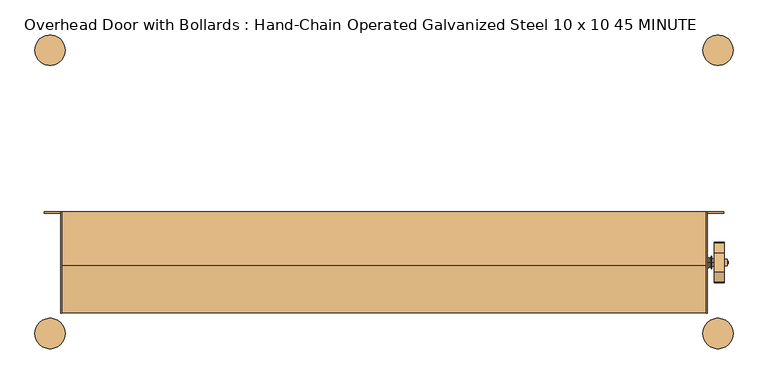
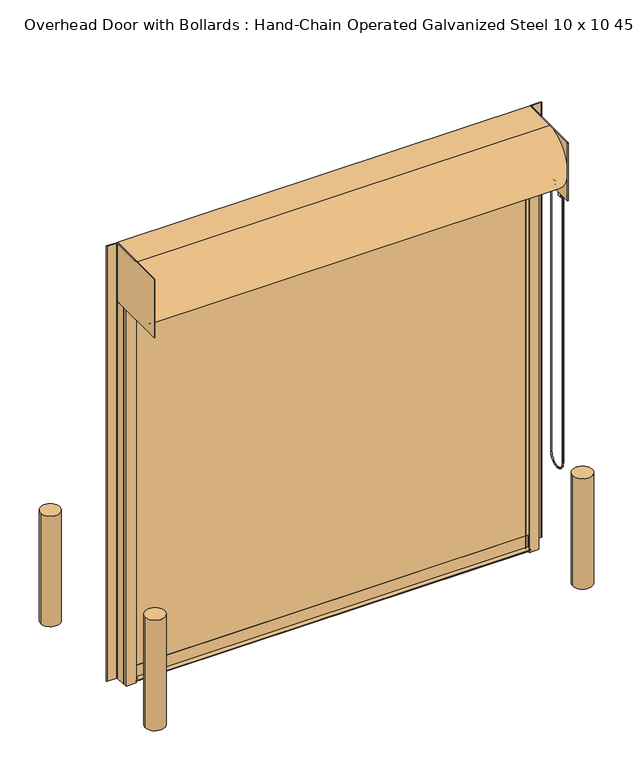
"""IFC4 building model written with IfcOpenShell, lengths in millimetres: door geometry, Overhead Door with Bollards : Hand-Chain Operated Galvanized Steel 10 x 10 45 MINUTE."""

import ifcopenshell
import ifcopenshell.guid

model = None  # the IFC model being written
_history = None  # IfcOwnerHistory: only IFC2X3 demands one
_inside = {}  # id of a spatial element -> (the spatial element, [elements in it])
_under = {}  # id of a project, library or spatial element -> (it, [spatial elements below it])
_declared = {}  # id of a project -> (the project, [libraries it declares])
_typed = {}  # id of a type object -> (the type object, [elements of that type])
_made_of = {}  # id of a material, layer set ... -> (it, [elements and type objects made of it])


def new_model(schema):
    """Start an empty IFC model of exactly this schema.

    Asked for "IFC4X3", IfcOpenShell would pick the latest addendum, in which some entities
    have other attributes; the version numbers below select the first issue.
    IFC2X3 requires an IfcOwnerHistory on every rooted entity: one is made here for all.
    """
    global model, _history
    if schema == "IFC4X3":
        model = ifcopenshell.file(schema_version=(4, 3, 0, 0))
    else:
        model = ifcopenshell.file(schema=schema)
    _inside.clear()
    _under.clear()
    _declared.clear()
    _typed.clear()
    _made_of.clear()
    _history = None
    if model.schema == "IFC2X3":
        org = make("IfcOrganization", Name="unknown")
        user = make(
            "IfcPersonAndOrganization",
            ThePerson=make("IfcPerson", FamilyName="unknown"),
            TheOrganization=org,
        )
        app = make(
            "IfcApplication",
            ApplicationDeveloper=org,
            Version="unknown",
            ApplicationFullName="unknown",
            ApplicationIdentifier="unknown",
        )
        _history = make(
            "IfcOwnerHistory",
            OwningUser=user,
            OwningApplication=app,
            ChangeAction="ADDED",
            CreationDate=0,
        )
    return model


def make(cls, **values):
    """One entity of the class cls with the attributes given. An attribute that is None is left unset."""
    return model.create_entity(
        cls, **{name: value for name, value in values.items() if value is not None}
    )


def rooted(cls, **values):
    """An entity with a GlobalId (a new one), such as an element, a storey or a relation."""
    return make(cls, GlobalId=ifcopenshell.guid.new(), OwnerHistory=_history, **values)


def si_unit(unit_type, name, prefix=None):
    """IfcSIUnit, for example si_unit("LENGTHUNIT", "METRE", prefix="MILLI")."""
    return make("IfcSIUnit", UnitType=unit_type, Prefix=prefix, Name=name)


def assignment(units):
    """IfcUnitAssignment: the units of a project."""
    return None if units is None else make("IfcUnitAssignment", Units=units)


def point(xyz):
    """IfcCartesianPoint."""
    return None if xyz is None else make("IfcCartesianPoint", Coordinates=xyz)


def direction(xyz):
    """IfcDirection."""
    return None if xyz is None else make("IfcDirection", DirectionRatios=xyz)


def frame(location, z_axis=None, x_axis=None):
    """IfcAxis2Placement3D, a coordinate frame: its origin and axes. An axis left out is left unset."""
    return make(
        "IfcAxis2Placement3D",
        Location=point(location),
        Axis=direction(z_axis),
        RefDirection=direction(x_axis),
    )


def frame_2d(location, x_axis=None):
    """IfcAxis2Placement2D, a coordinate frame in the plane: its origin and x axis."""
    return make(
        "IfcAxis2Placement2D", Location=point(location), RefDirection=direction(x_axis)
    )


def origin():
    """The frame at (0, 0, 0) with its axes left unset."""
    return frame((0.0, 0.0, 0.0))


def origin_with_axes():
    """The frame at (0, 0, 0) with the z axis (0, 0, 1) and the x axis (1, 0, 0) written out."""
    return frame((0.0, 0.0, 0.0), z_axis=(0.0, 0.0, 1.0), x_axis=(1.0, 0.0, 0.0))


def place(relative_to, where):
    """IfcLocalPlacement: puts the frame where relative to a parent placement (None: the world)."""
    return make(
        "IfcLocalPlacement", PlacementRelTo=relative_to, RelativePlacement=where
    )


def context(
    kind, dimensions, precision=None, world=None, true_north=None, identifier=None
):
    """IfcGeometricRepresentationContext, for example the 3D "Model" context."""
    return make(
        "IfcGeometricRepresentationContext",
        ContextIdentifier=identifier,
        ContextType=kind,
        CoordinateSpaceDimension=dimensions,
        Precision=precision,
        WorldCoordinateSystem=world,
        TrueNorth=true_north,
    )


def project(units=None, contexts=None):
    """IfcProject with its units and contexts."""
    return rooted(
        "IfcProject",
        Name="project",
        RepresentationContexts=contexts,
        UnitsInContext=assignment(units),
    )


def spatial(cls, under=None, at=None, **own):
    """A site, building, storey or space (cls), placed at a placement, below another one or the project."""
    s = rooted(cls, ObjectPlacement=at, **own)
    if under is not None:
        _under.setdefault(under.id(), (under, []))[1].append(s)
    return s


def polyline(points):
    """IfcPolyline through the points."""
    return make("IfcPolyline", Points=[point(p) for p in points])


def circle_curve(where, radius):
    """IfcCircle in the frame where."""
    return make("IfcCircle", Position=where, Radius=radius)


def ellipse_curve(where, semi_axis1, semi_axis2):
    """IfcEllipse in the frame where."""
    return make(
        "IfcEllipse", Position=where, SemiAxis1=semi_axis1, SemiAxis2=semi_axis2
    )


def trimmed(basis, trim1, trim2, sense, master):
    """IfcTrimmedCurve: the piece of a basis curve between two trims."""
    return make(
        "IfcTrimmedCurve",
        BasisCurve=basis,
        Trim1=trim1,
        Trim2=trim2,
        SenseAgreement=sense,
        MasterRepresentation=master,
    )


def segment(curve, same_sense, transition):
    """IfcCompositeCurveSegment."""
    return make(
        "IfcCompositeCurveSegment",
        Transition=transition,
        SameSense=same_sense,
        ParentCurve=curve,
    )


def composite_curve(segments, self_intersect=None):
    """IfcCompositeCurve: segments joined end to end."""
    return make("IfcCompositeCurve", Segments=segments, SelfIntersect=self_intersect)


def outline(outer, holes=None, kind="AREA"):
    """IfcArbitraryClosedProfileDef: a profile drawn as a closed curve; with holes, ...WithVoids."""
    if holes is None:
        return make("IfcArbitraryClosedProfileDef", ProfileType=kind, OuterCurve=outer)
    return make(
        "IfcArbitraryProfileDefWithVoids",
        ProfileType=kind,
        OuterCurve=outer,
        InnerCurves=holes,
    )


def extrude(swept, where, along, depth):
    """IfcExtrudedAreaSolid: the profile swept, set in the frame where, extruded along a direction by depth."""
    return make(
        "IfcExtrudedAreaSolid",
        SweptArea=swept,
        Position=where,
        ExtrudedDirection=direction(along),
        Depth=depth,
    )


def shape(context_of_items, identifier, shape_type, items):
    """IfcShapeRepresentation: the items that make up one representation, for example the "Body"."""
    return make(
        "IfcShapeRepresentation",
        ContextOfItems=context_of_items,
        RepresentationIdentifier=identifier,
        RepresentationType=shape_type,
        Items=items,
    )


def source(mapping_origin, context_of_items, identifier, shape_type, items):
    """IfcRepresentationMap: a shape defined once, which mapped items show again and again."""
    return make(
        "IfcRepresentationMap",
        MappingOrigin=mapping_origin,
        MappedRepresentation=shape(context_of_items, identifier, shape_type, items),
    )


def transform(
    local_origin,
    x_axis=None,
    y_axis=None,
    z_axis=None,
    scale=None,
    scale2=None,
    scale3=None,
    uniform=True,
):
    """IfcCartesianTransformationOperator3D, or its non-uniform kind. x_axis, y_axis, z_axis: its Axis1, 2, 3."""
    if uniform:
        return make(
            "IfcCartesianTransformationOperator3D",
            Axis1=direction(x_axis),
            Axis2=direction(y_axis),
            LocalOrigin=point(local_origin),
            Scale=scale,
            Axis3=direction(z_axis),
        )
    return make(
        "IfcCartesianTransformationOperator3DnonUniform",
        Axis1=direction(x_axis),
        Axis2=direction(y_axis),
        LocalOrigin=point(local_origin),
        Scale=scale,
        Axis3=direction(z_axis),
        Scale2=scale2,
        Scale3=scale3,
    )


def mapped(mapping_source, mapping_target):
    """IfcMappedItem: shows the shape of a source again, moved by a transform."""
    return make(
        "IfcMappedItem", MappingSource=mapping_source, MappingTarget=mapping_target
    )


def made_of(thing, what):
    """Note that an element or type object is made of a material, layer set ...; save() writes the relation."""
    if what is not None:
        _made_of.setdefault(what.id(), (what, []))[1].append(thing)
    return thing


def element(
    cls,
    number,
    at=None,
    inside=None,
    cuts=None,
    type_object=None,
    material=None,
    context=None,
    identifier="Body",
    shape_type=None,
    held_by="IfcProductDefinitionShape",
    body=None,
    shapes=None,
    **own,
):
    """One element of the class cls, such as IfcWall. Its Tag is "e" and its number.

    at: its placement. inside: the storey or other place that contains it. cuts: it is an
    opening in that element (IfcRelVoidsElement). A single representation is given by context,
    identifier, shape_type and body (its items); several are given by shapes. held_by: the class
    of the entity that holds the representations. save() writes the other relations.
    """
    e = rooted(cls, Tag="e%d" % number, ObjectPlacement=at, **own)
    if body is not None:
        shapes = [shape(context, identifier, shape_type, body)]
    if shapes is not None:
        e.Representation = make(held_by, Representations=shapes)
    if inside is not None:
        _inside.setdefault(inside.id(), (inside, []))[1].append(e)
    if cuts is not None:
        rooted(
            "IfcRelVoidsElement", RelatingBuildingElement=cuts, RelatedOpeningElement=e
        )
    if type_object is not None:
        _typed.setdefault(type_object.id(), (type_object, []))[1].append(e)
    return made_of(e, material)


def aggregate(whole, parts):
    """IfcRelAggregates: a whole, such as a stair, and the parts it consists of."""
    return rooted("IfcRelAggregates", RelatingObject=whole, RelatedObjects=parts)


def save(model, path):
    """Write the relations noted so far, then the file.

    IfcRelAggregates (storeys below a building ...), IfcRelContainedInSpatialStructure (elements
    in a storey), IfcRelDefinesByType, IfcRelAssociatesMaterial and IfcRelDeclares: one each for
    every whole, place, type object, material and project.
    """
    for whole, parts in _under.values():
        aggregate(whole, parts)
    for where, things in _inside.values():
        rooted(
            "IfcRelContainedInSpatialStructure",
            RelatedElements=things,
            RelatingStructure=where,
        )
    for kind, things in _typed.values():
        rooted("IfcRelDefinesByType", RelatedObjects=things, RelatingType=kind)
    for what, things in _made_of.values():
        rooted("IfcRelAssociatesMaterial", RelatedObjects=things, RelatingMaterial=what)
    for by, libraries in _declared.values():
        rooted("IfcRelDeclares", RelatingContext=by, RelatedDefinitions=libraries)
    model.write(path)


def plane_surface(at):
    """IfcPlane: the flat surface through the origin of the frame at, square to its z axis."""
    return make("IfcPlane", Position=at)


def cylinder_surface(at, radius):
    """IfcCylindricalSurface: all points at the distance radius from the z axis of the frame at."""
    return make("IfcCylindricalSurface", Position=at, Radius=radius)


def revolved_surface(curve, axis_point, axis_direction):
    """IfcSurfaceOfRevolution: the curve turned about the line through axis_point along axis_direction."""
    return make(
        "IfcSurfaceOfRevolution",
        SweptCurve=make("IfcArbitraryOpenProfileDef", ProfileType="CURVE", Curve=curve),
        AxisPosition=make("IfcAxis1Placement", Location=point(axis_point), Axis=direction(axis_direction)),
    )


def advanced_brep(points, edges, surfaces, faces):
    """IfcAdvancedBrep: a solid bounded by faces that lie on surfaces and meet in shared edges.

    An edge is (start, end): straight between two places in points (the first is 0);
    or (start, end, curve); or (start, end, curve, False) where it runs against its curve.
    A face is (place in surfaces, loops), or (place, loops, False) where it looks against
    its surface's normal. A loop lists edges by number (the first is 1), with a minus sign
    where the edge is run from its end to its start. The first loop is the outer one.
    """
    corners = [point(p) for p in points]
    vertices = [make("IfcVertexPoint", VertexGeometry=c) for c in corners]
    made = []
    for start, end, *more in edges:
        made.append(
            make(
                "IfcEdgeCurve",
                EdgeStart=vertices[start],
                EdgeEnd=vertices[end],
                EdgeGeometry=more[0] if more else make("IfcPolyline", Points=[corners[start], corners[end]]),
                SameSense=more[1] if len(more) > 1 else True,
            )
        )
    hull = []
    for where, loops, *sense in faces:
        bounds = []
        for j, loop in enumerate(loops):
            ring = [make("IfcOrientedEdge", EdgeElement=made[abs(k) - 1], Orientation=k > 0) for k in loop]
            bounds.append(
                make(
                    "IfcFaceOuterBound" if j == 0 else "IfcFaceBound",
                    Bound=make("IfcEdgeLoop", EdgeList=ring),
                    Orientation=True,
                )
            )
        hull.append(make("IfcAdvancedFace", Bounds=bounds, FaceSurface=surfaces[where], SameSense=sense[0] if sense else True))
    return make("IfcAdvancedBrep", Outer=make("IfcClosedShell", CfsFaces=hull))


def overhead_door_with_bollards_hand_chain_operated_galvanized_ffcfc4d4(model_context):
    return source(origin(), model_context, "Body", "SolidModel", [
        extrude(outline(composite_curve([segment(trimmed(circle_curve(frame_2d((-762.0, -711.2)), 76.2), [point((-838.2, -711.2))], [point((-685.8, -711.2))], False, "CARTESIAN"), True, "CONTINUOUS"), segment(trimmed(circle_curve(frame_2d((-762.0, -711.2)), 76.2), [point((-685.8, -711.2))], [point((-838.2, -711.2))], False, "CARTESIAN"), True, "CONTINUOUS")], self_intersect=False)), origin_with_axes(), (0.0, 0.0, 1.0), 914.4),
        extrude(outline(composite_curve([segment(trimmed(circle_curve(frame_2d((2590.8, -711.2)), 76.2), [point((2514.6, -711.2))], [point((2667.0, -711.2))], False, "CARTESIAN"), True, "CONTINUOUS"), segment(trimmed(circle_curve(frame_2d((2590.8, -711.2)), 76.2), [point((2667.0, -711.2))], [point((2514.6, -711.2))], False, "CARTESIAN"), True, "CONTINUOUS")], self_intersect=False)), origin_with_axes(), (0.0, 0.0, 1.0), 914.4),
        extrude(outline(composite_curve([segment(trimmed(circle_curve(frame_2d((2590.8, 711.2)), 76.2), [point((2667.0, 711.2))], [point((2514.6, 711.2))], False, "CARTESIAN"), True, "CONTINUOUS"), segment(trimmed(circle_curve(frame_2d((2590.8, 711.2)), 76.2), [point((2514.6, 711.2))], [point((2667.0, 711.2))], False, "CARTESIAN"), True, "CONTINUOUS")], self_intersect=False)), origin_with_axes(), (0.0, 0.0, 1.0), 914.4),
        extrude(outline(composite_curve([segment(trimmed(circle_curve(frame_2d((-762.0, 711.2)), 76.2), [point((-838.2, 711.2))], [point((-685.8, 711.2))], False, "CARTESIAN"), True, "CONTINUOUS"), segment(trimmed(circle_curve(frame_2d((-762.0, 711.2)), 76.2), [point((-685.8, 711.2))], [point((-838.2, 711.2))], False, "CARTESIAN"), True, "CONTINUOUS")], self_intersect=False)), origin_with_axes(), (0.0, 0.0, 1.0), 914.4),
        extrude(outline(polyline([(-709.6252, -609.6), (-709.6252, -101.6), (-703.2752, -101.6), (-703.2752, -609.6), (-709.6252, -609.6)])), frame((0.0, 0.0, 3124.2), z_axis=(0.0, 0.0, 1.0), x_axis=(1.0, 0.0, 0.0)), (0.0, 0.0, 1.0), 482.6),
        advanced_brep(
        [(2622.6309604, -405.1483399, 3233.6469387), (2622.6309604, -452.4375, 3110.4544649), (2622.6309604, -452.4375, 3055.6877303), (2622.6309604, -456.5066884, 3045.7069784), (2622.6309604, -454.7997, 3041.65), (2622.6309604, -415.1249, 3041.65), (2622.6309604, -413.4179116, 3045.7069784), (2622.6309604, -417.4871, 3055.6877303), (2622.6309604, -417.4871, 3060.7), (2622.6309604, -404.7871, 3073.4), (2622.6309604, -395.6352267, 3073.4), (2622.6309604, -315.5647733, 3073.4), (2622.6309604, -306.4129, 3073.4), (2622.6309604, -293.9479873, 3058.267727), (2622.6309604, -297.7820884, 3045.7069784), (2622.6309604, -296.0751, 3041.65), (2622.6309604, -256.4003, 3041.65), (2622.6309604, -254.6933116, 3045.7069784), (2622.6309604, -258.7625, 3055.6877303), (2622.6309604, -258.7625, 3108.6891105), (2622.6309604, -259.3951464, 3112.1025652), (2622.6309604, -306.0516601, 3233.6469387), (2622.6309604, -339.725, 3152.775), (2622.6309604, -371.475, 3152.775), (2571.8309604, -405.1483399, 3233.6469387), (2571.8309604, -306.0516601, 3233.6469387), (2571.8309604, -259.3951464, 3112.1025652), (2571.8309604, -258.7625, 3108.6891105), (2571.8309604, -258.7625, 3055.6877303), (2571.8309604, -254.6933116, 3045.7069784), (2571.8309604, -256.4003, 3041.65), (2571.8309604, -296.0751, 3041.65), (2571.8309604, -297.7820884, 3045.7069784), (2571.8309604, -293.9479873, 3058.267727), (2571.8309604, -306.4129, 3073.4), (2571.8309604, -315.5647733, 3073.4), (2571.8309604, -395.6352267, 3073.4), (2571.8309604, -404.7871, 3073.4), (2571.8309604, -417.4871, 3060.7), (2571.8309604, -417.4871, 3055.6877303), (2571.8309604, -413.4179116, 3045.7069784), (2571.8309604, -415.1249, 3041.65), (2571.8309604, -454.7997, 3041.65), (2571.8309604, -456.5066884, 3045.7069784), (2571.8309604, -452.4375, 3055.6877303), (2571.8309604, -452.4375, 3110.4544649), (2571.8309604, -355.6, 3172.3965), (2571.8309604, -355.6, 3134.2965), (2636.9184604, -371.475, 3152.775), (2636.9184604, -339.725, 3152.775), (2636.9184604, -355.6, 3143.8215), (2636.9184604, -355.6, 3162.8715), (2643.1875, -355.6, 3146.9965), (2643.1875, -355.6, 3159.6965), (2640.0125, -355.6, 3162.8715), (2640.0125, -355.6, 3143.8215), (2643.1875, -355.6, 3153.3465), (2538.4125, -355.6, 3127.9465), (2538.4125, -355.6, 3178.7465), (2538.4125, -355.6, 3153.3465), (2544.7625, -355.6, 3127.9465), (2544.7625, -355.6, 3178.7465), (2544.7625, -355.6, 3131.9089), (2544.7625, -355.6, 3174.7841), (2554.8971, -355.6, 3131.9089), (2554.8971, -355.6, 3174.7841), (2554.8971, -355.6, 3128.06715), (2554.8971, -355.6, 3178.62585), (2556.4846, -355.6, 3121.71715), (2556.4846, -355.6, 3184.97585), (2559.05, -355.6, 3121.71715), (2559.05, -355.6, 3184.97585), (2560.6375, -355.6, 3128.06715), (2560.6375, -355.6, 3178.62585), (2560.6375, -355.6, 3134.2965), (2560.6375, -355.6, 3172.3965)],
        [
            (0, 1),
            (1, 2),
            (2, 3, circle_curve(frame((2622.6309604, -466.7123, 3055.6877303), z_axis=(-1.0, 0.0, 0.0), x_axis=(0.0, 1.0, 0.0)), 14.2748)),
            (3, 4, circle_curve(frame((2622.6309604, -454.7997, 3044.0376), z_axis=(1.0, 0.0, 0.0), x_axis=(0.0, 1.0, 0.0)), 2.3876)),
            (4, 5),
            (5, 6, circle_curve(frame((2622.6309604, -415.1249, 3044.0376), z_axis=(1.0, 0.0, 0.0), x_axis=(0.0, 1.0, 0.0)), 2.3876)),
            (6, 7, circle_curve(frame((2622.6309604, -403.2123, 3055.6877303), z_axis=(-1.0, 0.0, 0.0), x_axis=(0.0, 1.0, 0.0)), 14.2748)),
            (7, 8),
            (8, 9, circle_curve(frame((2622.6309604, -404.7871, 3060.7), z_axis=(-1.0, 0.0, 0.0), x_axis=(0.0, 1.0, 0.0)), 12.7)),
            (9, 10),
            (10, 11, circle_curve(frame((2622.6309604, -355.6, 3152.775), z_axis=(1.0, 0.0, 0.0), x_axis=(0.0, 1.0, 0.0)), 88.9)),
            (11, 12),
            (12, 13, circle_curve(frame((2622.6309604, -306.4129, 3060.7), z_axis=(-1.0, 0.0, 0.0), x_axis=(0.0, 1.0, 0.0)), 12.7)),
            (13, 14, circle_curve(frame((2622.6309604, -307.9877, 3055.6877303), z_axis=(-1.0, 0.0, 0.0), x_axis=(0.0, 1.0, 0.0)), 14.2748)),
            (14, 15, circle_curve(frame((2622.6309604, -296.0751, 3044.0376), z_axis=(1.0, 0.0, 0.0), x_axis=(0.0, 1.0, 0.0)), 2.3876)),
            (15, 16),
            (16, 17, circle_curve(frame((2622.6309604, -256.4003, 3044.0376), z_axis=(1.0, 0.0, 0.0), x_axis=(0.0, 1.0, 0.0)), 2.3876)),
            (17, 18, circle_curve(frame((2622.6309604, -244.4877, 3055.6877303), z_axis=(-1.0, 0.0, 0.0), x_axis=(0.0, 1.0, 0.0)), 14.2748)),
            (18, 19),
            (19, 20, circle_curve(frame((2622.6309604, -268.2875, 3108.6891105), z_axis=(1.0, 0.0, 0.0), x_axis=(0.0, 1.0, 0.0)), 9.525)),
            (20, 21),
            (21, 0, circle_curve(frame((2622.6309604, -355.6, 3152.775), z_axis=(1.0, 0.0, 0.0), x_axis=(0.0, 1.0, 0.0)), 94.8436)),
            (22, 23, circle_curve(frame((2622.6309604, -355.6, 3152.775), z_axis=(-1.0, 0.0, 0.0), x_axis=(0.0, 1.0, 0.0)), 15.875)),
            (23, 22, circle_curve(frame((2622.6309604, -355.6, 3152.775), z_axis=(-1.0, 0.0, 0.0), x_axis=(0.0, 1.0, 0.0)), 15.875)),
            (24, 25, circle_curve(frame((2571.8309604, -355.6, 3152.775), z_axis=(-1.0, 0.0, 0.0), x_axis=(0.0, 1.0, 0.0)), 94.8436)),
            (25, 26),
            (26, 27, circle_curve(frame((2571.8309604, -268.2875, 3108.6891105), z_axis=(-1.0, 0.0, 0.0), x_axis=(0.0, 1.0, 0.0)), 9.525)),
            (27, 28),
            (28, 29, circle_curve(frame((2571.8309604, -244.4877, 3055.6877303), z_axis=(1.0, 0.0, 0.0), x_axis=(0.0, 1.0, 0.0)), 14.2748)),
            (29, 30, circle_curve(frame((2571.8309604, -256.4003, 3044.0376), z_axis=(-1.0, 0.0, 0.0), x_axis=(0.0, 1.0, 0.0)), 2.3876)),
            (30, 31),
            (31, 32, circle_curve(frame((2571.8309604, -296.0751, 3044.0376), z_axis=(-1.0, 0.0, 0.0), x_axis=(0.0, 1.0, 0.0)), 2.3876)),
            (32, 33, circle_curve(frame((2571.8309604, -307.9877, 3055.6877303), z_axis=(1.0, 0.0, 0.0), x_axis=(0.0, 1.0, 0.0)), 14.2748)),
            (33, 34, circle_curve(frame((2571.8309604, -306.4129, 3060.7), z_axis=(1.0, 0.0, 0.0), x_axis=(0.0, 1.0, 0.0)), 12.7)),
            (34, 35),
            (35, 36, circle_curve(frame((2571.8309604, -355.6, 3152.775), z_axis=(-1.0, 0.0, 0.0), x_axis=(0.0, 1.0, 0.0)), 88.9)),
            (36, 37),
            (37, 38, circle_curve(frame((2571.8309604, -404.7871, 3060.7), z_axis=(1.0, 0.0, 0.0), x_axis=(0.0, 1.0, 0.0)), 12.7)),
            (38, 39),
            (39, 40, circle_curve(frame((2571.8309604, -403.2123, 3055.6877303), z_axis=(1.0, 0.0, 0.0), x_axis=(0.0, 1.0, 0.0)), 14.2748)),
            (40, 41, circle_curve(frame((2571.8309604, -415.1249, 3044.0376), z_axis=(-1.0, 0.0, 0.0), x_axis=(0.0, 1.0, 0.0)), 2.3876)),
            (41, 42),
            (42, 43, circle_curve(frame((2571.8309604, -454.7997, 3044.0376), z_axis=(-1.0, 0.0, 0.0), x_axis=(0.0, 1.0, 0.0)), 2.3876)),
            (43, 44, circle_curve(frame((2571.8309604, -466.7123, 3055.6877303), z_axis=(1.0, 0.0, 0.0), x_axis=(0.0, 1.0, 0.0)), 14.2748)),
            (44, 45),
            (45, 24),
            (46, 47, circle_curve(frame((2571.8309604, -355.6, 3153.3465), z_axis=(1.0, 0.0, 0.0), x_axis=(0.0, 0.0, 1.0)), 19.05)),
            (47, 46, circle_curve(frame((2571.8309604, -355.6, 3153.3465), z_axis=(1.0, 0.0, 0.0), x_axis=(0.0, 0.0, 1.0)), 19.05)),
            (0, 24),
            (45, 1),
            (44, 2),
            (43, 3),
            (42, 4),
            (41, 5),
            (40, 6),
            (39, 7),
            (38, 8),
            (37, 9),
            (36, 10),
            (35, 11),
            (34, 12),
            (33, 13),
            (32, 14),
            (31, 15),
            (30, 16),
            (29, 17),
            (28, 18),
            (27, 19),
            (26, 20),
            (25, 21),
            (48, 49, circle_curve(frame((2636.9184604, -355.6, 3152.775), z_axis=(1.0, 0.0, 0.0), x_axis=(0.0, 1.0, 0.0)), 15.875)),
            (49, 48, circle_curve(frame((2636.9184604, -355.6, 3152.775), z_axis=(1.0, 0.0, 0.0), x_axis=(0.0, 1.0, 0.0)), 15.875)),
            (50, 51, circle_curve(frame((2636.9184604, -355.6, 3153.3465), z_axis=(-1.0, 0.0, 0.0), x_axis=(0.0, 0.0, 1.0)), 9.525)),
            (51, 50, circle_curve(frame((2636.9184604, -355.6, 3153.3465), z_axis=(-1.0, 0.0, 0.0), x_axis=(0.0, 0.0, 1.0)), 9.525)),
            (48, 23),
            (22, 49),
            (52, 53, circle_curve(frame((2643.1875, -355.6, 3153.3465), z_axis=(-1.0, 0.0, 0.0), x_axis=(0.0, 0.0, 1.0)), 6.35)),
            (53, 54),
            (54, 55, circle_curve(frame((2640.0125, -355.6, 3153.3465), z_axis=(1.0, 0.0, 0.0), x_axis=(0.0, 0.0, 1.0)), 9.525)),
            (55, 52),
            (53, 52, circle_curve(frame((2643.1875, -355.6, 3153.3465), z_axis=(-1.0, 0.0, 0.0), x_axis=(0.0, 0.0, 1.0)), 6.35)),
            (55, 54, circle_curve(frame((2640.0125, -355.6, 3153.3465), z_axis=(1.0, 0.0, 0.0), x_axis=(0.0, 0.0, 1.0)), 9.525)),
            (52, 56),
            (56, 53),
            (54, 51),
            (50, 55),
            (57, 58, circle_curve(frame((2538.4125, -355.6, 3153.3465), z_axis=(-1.0, 0.0, 0.0), x_axis=(0.0, 0.0, 1.0)), 25.4)),
            (58, 59),
            (59, 57),
            (58, 57, circle_curve(frame((2538.4125, -355.6, 3153.3465), z_axis=(-1.0, 0.0, 0.0), x_axis=(0.0, 0.0, 1.0)), 25.4)),
            (57, 60),
            (60, 61, circle_curve(frame((2544.7625, -355.6, 3153.3465), z_axis=(-1.0, 0.0, 0.0), x_axis=(0.0, 0.0, 1.0)), 25.4)),
            (61, 58),
            (61, 60, circle_curve(frame((2544.7625, -355.6, 3153.3465), z_axis=(-1.0, 0.0, 0.0), x_axis=(0.0, 0.0, 1.0)), 25.4)),
            (60, 62),
            (62, 63, circle_curve(frame((2544.7625, -355.6, 3153.3465), z_axis=(-1.0, 0.0, 0.0), x_axis=(0.0, 0.0, 1.0)), 21.4376)),
            (63, 61),
            (63, 62, circle_curve(frame((2544.7625, -355.6, 3153.3465), z_axis=(-1.0, 0.0, 0.0), x_axis=(0.0, 0.0, 1.0)), 21.4376)),
            (62, 64),
            (64, 65, circle_curve(frame((2554.8971, -355.6, 3153.3465), z_axis=(-1.0, 0.0, 0.0), x_axis=(0.0, 0.0, 1.0)), 21.4376)),
            (65, 63),
            (65, 64, circle_curve(frame((2554.8971, -355.6, 3153.3465), z_axis=(-1.0, 0.0, 0.0), x_axis=(0.0, 0.0, 1.0)), 21.4376)),
            (64, 66),
            (66, 67, circle_curve(frame((2554.8971, -355.6, 3153.3465), z_axis=(-1.0, 0.0, 0.0), x_axis=(0.0, 0.0, 1.0)), 25.27935)),
            (67, 65),
            (67, 66, circle_curve(frame((2554.8971, -355.6, 3153.3465), z_axis=(-1.0, 0.0, 0.0), x_axis=(0.0, 0.0, 1.0)), 25.27935)),
            (66, 68),
            (68, 69, circle_curve(frame((2556.4846, -355.6, 3153.3465), z_axis=(-1.0, 0.0, 0.0), x_axis=(0.0, 0.0, 1.0)), 31.62935)),
            (69, 67),
            (69, 68, circle_curve(frame((2556.4846, -355.6, 3153.3465), z_axis=(-1.0, 0.0, 0.0), x_axis=(0.0, 0.0, 1.0)), 31.62935)),
            (68, 70),
            (70, 71, circle_curve(frame((2559.05, -355.6, 3153.3465), z_axis=(-1.0, 0.0, 0.0), x_axis=(0.0, 0.0, 1.0)), 31.62935)),
            (71, 69),
            (71, 70, circle_curve(frame((2559.05, -355.6, 3153.3465), z_axis=(-1.0, 0.0, 0.0), x_axis=(0.0, 0.0, 1.0)), 31.62935)),
            (70, 72),
            (72, 73, circle_curve(frame((2560.6375, -355.6, 3153.3465), z_axis=(-1.0, 0.0, 0.0), x_axis=(0.0, 0.0, 1.0)), 25.27935)),
            (73, 71),
            (73, 72, circle_curve(frame((2560.6375, -355.6, 3153.3465), z_axis=(-1.0, 0.0, 0.0), x_axis=(0.0, 0.0, 1.0)), 25.27935)),
            (72, 74),
            (74, 75, circle_curve(frame((2560.6375, -355.6, 3153.3465), z_axis=(-1.0, 0.0, 0.0), x_axis=(0.0, 0.0, 1.0)), 19.05)),
            (75, 73),
            (75, 74, circle_curve(frame((2560.6375, -355.6, 3153.3465), z_axis=(-1.0, 0.0, 0.0), x_axis=(0.0, 0.0, 1.0)), 19.05)),
            (74, 47),
            (46, 75),
        ],
        [
            plane_surface(frame((2622.6309604, -405.3174554, 3233.2063779), z_axis=(1.0, 0.0, 0.0), x_axis=(0.0, -0.3583679495453003, -0.9335804264972017))),
            plane_surface(frame((2571.8309604, -405.3174554, 3233.2063779), z_axis=(-1.0, 0.0, 0.0), x_axis=(0.0, 0.3583679495453003, 0.9335804264972017))),
            plane_surface(frame((2622.6309604, -405.1483399, 3233.6469387), z_axis=(0.0, -0.9335804264972017, 0.3583679495453003), x_axis=(-1.0, 0.0, 0.0))),
            plane_surface(frame((2622.6309604, -452.4375, 3110.4544649), z_axis=(0.0, -1.0, 0.0), x_axis=(-1.0, 0.0, 0.0))),
            revolved_surface(polyline([(2571.8309604, -452.4375, 3055.6877303), (2622.6309604, -452.4375, 3055.6877303)]), (2571.8309604, -466.7123, 3055.6877303), (-1.0, 0.0, 0.0)),
            cylinder_surface(frame((2571.8309604, -454.7997, 3044.0376), z_axis=(1.0, 0.0, 0.0), x_axis=(0.0, 1.0, 0.0)), 2.3876),
            plane_surface(frame((2622.6309604, -454.7997, 3041.65), z_axis=(0.0, 0.0, -1.0), x_axis=(-1.0, 0.0, 0.0))),
            cylinder_surface(frame((2571.8309604, -415.1249, 3044.0376), z_axis=(1.0, 0.0, 0.0), x_axis=(0.0, 1.0, 0.0)), 2.3876),
            revolved_surface(polyline([(2571.8309604, -388.9375, 3055.6877303), (2622.6309604, -388.9375, 3055.6877303)]), (2571.8309604, -403.2123, 3055.6877303), (-1.0, 0.0, 0.0)),
            plane_surface(frame((2622.6309604, -417.4871, 3055.6877303), z_axis=(0.0, 1.0, 0.0), x_axis=(-1.0, 0.0, 0.0))),
            revolved_surface(polyline([(2571.8309604, -392.0871, 3060.7), (2622.6309604, -392.0871, 3060.7)]), (2571.8309604, -404.7871, 3060.7), (-1.0, 0.0, 0.0)),
            plane_surface(frame((2622.6309604, -404.7871, 3073.4), z_axis=(0.0, 0.0, -1.0), x_axis=(-1.0, 0.0, 0.0))),
            cylinder_surface(frame((2571.8309604, -355.6, 3152.775), z_axis=(1.0, 0.0, 0.0), x_axis=(0.0, 1.0, 0.0)), 88.9),
            plane_surface(frame((2622.6309604, -315.5647733, 3073.4), z_axis=(0.0, 0.0, -1.0), x_axis=(-1.0, 0.0, 0.0))),
            revolved_surface(polyline([(2571.8309604, -293.7129, 3060.7), (2622.6309604, -293.7129, 3060.7)]), (2571.8309604, -306.4129, 3060.7), (-1.0, 0.0, 0.0)),
            revolved_surface(polyline([(2571.8309604, -293.7129, 3055.6877303), (2622.6309604, -293.7129, 3055.6877303)]), (2571.8309604, -307.9877, 3055.6877303), (-1.0, 0.0, 0.0)),
            cylinder_surface(frame((2571.8309604, -296.0751, 3044.0376), z_axis=(1.0, 0.0, 0.0), x_axis=(0.0, 1.0, 0.0)), 2.3876),
            plane_surface(frame((2622.6309604, -296.0751, 3041.65), z_axis=(0.0, 0.0, -1.0), x_axis=(-1.0, 0.0, 0.0))),
            cylinder_surface(frame((2571.8309604, -256.4003, 3044.0376), z_axis=(1.0, 0.0, 0.0), x_axis=(0.0, 1.0, 0.0)), 2.3876),
            revolved_surface(polyline([(2571.8309604, -230.2129, 3055.6877303), (2622.6309604, -230.2129, 3055.6877303)]), (2571.8309604, -244.4877, 3055.6877303), (-1.0, 0.0, 0.0)),
            plane_surface(frame((2622.6309604, -258.7625, 3055.6877303), z_axis=(0.0, 1.0, 0.0), x_axis=(-1.0, 0.0, 0.0))),
            cylinder_surface(frame((2571.8309604, -268.2875, 3108.6891105), z_axis=(1.0, 0.0, 0.0), x_axis=(0.0, 1.0, 0.0)), 9.525),
            plane_surface(frame((2622.6309604, -259.3951464, 3112.1025652), z_axis=(0.0, 0.9335804264972019, 0.35836794954530005), x_axis=(-1.0, 0.0, 0.0))),
            cylinder_surface(frame((2571.8309604, -355.6, 3152.775), z_axis=(1.0, 0.0, 0.0), x_axis=(0.0, 1.0, 0.0)), 94.8436),
            plane_surface(frame((2636.9184604, -339.725, 3152.775), z_axis=(1.0, 0.0, 0.0), x_axis=(0.0, 0.0, 1.0))),
            cylinder_surface(frame((2606.7305604, -355.6, 3152.775), z_axis=(1.0, 0.0, 0.0), x_axis=(0.0, 1.0, 0.0)), 15.875),
            revolved_surface(polyline([(2640.0125, -355.6, 3162.8715), (2643.1875, -355.6, 3159.6965)]), (2571.8309604, -355.6, 3153.3465), (1.0, 0.0, 0.0)),
            plane_surface(frame((2643.1875, -355.6, 3153.3465), z_axis=(1.0, 0.0, 0.0), x_axis=(0.0, 0.0, 1.0))),
            cylinder_surface(frame((2571.8309604, -355.6, 3153.3465), z_axis=(1.0, 0.0, 0.0), x_axis=(0.0, 0.0, 1.0)), 9.525),
            plane_surface(frame((2538.4125, -355.6, 3153.3465), z_axis=(-1.0, 0.0, 0.0), x_axis=(0.0, 0.0, 1.0))),
            cylinder_surface(frame((2571.8309604, -355.6, 3153.3465), z_axis=(1.0, 0.0, 0.0), x_axis=(0.0, 0.0, 1.0)), 25.4),
            plane_surface(frame((2544.7625, -355.6, 3153.3465), z_axis=(1.0, 0.0, 0.0), x_axis=(0.0, 0.0, 1.0))),
            cylinder_surface(frame((2571.8309604, -355.6, 3153.3465), z_axis=(1.0, 0.0, 0.0), x_axis=(0.0, 0.0, 1.0)), 21.4376),
            plane_surface(frame((2554.8971, -355.6, 3153.3465), z_axis=(-1.0, 0.0, 0.0), x_axis=(0.0, 0.0, 1.0))),
            revolved_surface(polyline([(2554.8971, -355.6, 3178.62585), (2556.4846, -355.6, 3184.97585)]), (2571.8309604, -355.6, 3153.3465), (1.0, 0.0, 0.0)),
            cylinder_surface(frame((2571.8309604, -355.6, 3153.3465), z_axis=(1.0, 0.0, 0.0), x_axis=(0.0, 0.0, 1.0)), 31.62935),
            revolved_surface(polyline([(2559.05, -355.6, 3184.97585), (2560.6375, -355.6, 3178.62585)]), (2571.8309604, -355.6, 3153.3465), (1.0, 0.0, 0.0)),
            plane_surface(frame((2560.6375, -355.6, 3153.3465), z_axis=(1.0, 0.0, 0.0), x_axis=(0.0, 0.0, 1.0))),
            cylinder_surface(frame((2571.8309604, -355.6, 3153.3465), z_axis=(1.0, 0.0, 0.0), x_axis=(0.0, 0.0, 1.0)), 19.05),
        ],
        [
            (0, [[1, 2, 3, 4, 5, 6, 7, 8, 9, 10, 11, 12, 13, 14, 15, 16, 17, 18, 19, 20, 21, 22], [23, 24]]),
            (1, [[25, 26, 27, 28, 29, 30, 31, 32, 33, 34, 35, 36, 37, 38, 39, 40, 41, 42, 43, 44, 45, 46], [47, 48]]),
            (2, [[-1, 49, -46, 50]]),
            (3, [[-2, -50, -45, 51]]),
            (4, [[-3, -51, -44, 52]]),
            (5, [[-4, -52, -43, 53]]),
            (6, [[-5, -53, -42, 54]]),
            (7, [[-6, -54, -41, 55]]),
            (8, [[-7, -55, -40, 56]]),
            (9, [[-8, -56, -39, 57]]),
            (10, [[-9, -57, -38, 58]]),
            (11, [[-10, -58, -37, 59]]),
            (12, [[-11, -59, -36, 60]]),
            (13, [[-12, -60, -35, 61]]),
            (14, [[-13, -61, -34, 62]]),
            (15, [[-14, -62, -33, 63]]),
            (16, [[-15, -63, -32, 64]]),
            (17, [[-16, -64, -31, 65]]),
            (18, [[-17, -65, -30, 66]]),
            (19, [[-18, -66, -29, 67]]),
            (20, [[-19, -67, -28, 68]]),
            (21, [[-20, -68, -27, 69]]),
            (22, [[-21, -69, -26, 70]]),
            (23, [[-22, -70, -25, -49]]),
            (24, [[71, 72], [73, 74]]),
            (25, [[-71, 75, -23, 76]]),
            (25, [[-72, -76, -24, -75]]),
            (26, [[77, 78, 79, 80]]),
            (26, [[-78, 81, -80, 82]]),
            (27, [[-77, 83, 84]]),
            (27, [[-81, -84, -83]]),
            (28, [[-79, 85, -73, 86]]),
            (28, [[-82, -86, -74, -85]]),
            (29, [[87, 88, 89]]),
            (29, [[-88, 90, -89]]),
            (30, [[-87, 91, 92, 93]]),
            (30, [[-90, -93, 94, -91]]),
            (31, [[-92, 95, 96, 97]]),
            (31, [[-94, -97, 98, -95]]),
            (32, [[-96, 99, 100, 101]]),
            (32, [[-98, -101, 102, -99]]),
            (33, [[-100, 103, 104, 105]]),
            (33, [[-102, -105, 106, -103]]),
            (34, [[-104, 107, 108, 109]]),
            (34, [[-106, -109, 110, -107]]),
            (35, [[-108, 111, 112, 113]]),
            (35, [[-110, -113, 114, -111]]),
            (36, [[-112, 115, 116, 117]]),
            (36, [[-114, -117, 118, -115]]),
            (37, [[-116, 119, 120, 121]]),
            (37, [[-118, -121, 122, -119]]),
            (38, [[-120, 123, -47, 124]]),
            (38, [[-122, -124, -48, -123]]),
        ],
    ),
        advanced_brep(
        [(2600.9659087, -277.8125, 3124.2), (2593.3340913, -277.8125, 3124.2), (2600.9659087, -277.8125, 825.5), (2593.3340913, -277.8125, 825.5), (2593.3340913, -436.5625, 825.5), (2600.9659087, -436.5625, 825.5), (2600.9659087, -436.5625, 3124.2), (2593.3340913, -436.5625, 3124.2)],
        [
            (0, 1, circle_curve(frame((2597.15, -277.8125, 3124.2), z_axis=(0.0, 0.0, 1.0), x_axis=(-1.0, 0.0, 0.0)), 3.8159087)),
            (1, 0, circle_curve(frame((2597.15, -277.8125, 3124.2), z_axis=(0.0, 0.0, 1.0), x_axis=(-1.0, 0.0, 0.0)), 3.8159087)),
            (0, 2),
            (2, 3, circle_curve(frame((2597.15, -277.8125, 825.5), z_axis=(0.0, 0.0, 1.0), x_axis=(-1.0, 0.0, 0.0)), 3.8159087)),
            (3, 1),
            (3, 2, circle_curve(frame((2597.15, -277.8125, 825.5), z_axis=(0.0, 0.0, 1.0), x_axis=(-1.0, 0.0, 0.0)), 3.8159087)),
            (4, 3, circle_curve(frame((2593.3340913, -357.1875, 825.5), z_axis=(1.0, 0.0, 0.0), x_axis=(0.0, 1.0, 0.0)), 79.375)),
            (2, 5, circle_curve(frame((2600.9659087, -357.1875, 825.5), z_axis=(-1.0, 0.0, 0.0), x_axis=(0.0, 1.0, 0.0)), 79.375)),
            (5, 4, circle_curve(frame((2597.15, -436.5625, 825.5), z_axis=(0.0, 0.0, -1.0), x_axis=(-1.0, 0.0, 0.0)), 3.8159087)),
            (4, 5, circle_curve(frame((2597.15, -436.5625, 825.5), z_axis=(0.0, 0.0, -1.0), x_axis=(-1.0, 0.0, 0.0)), 3.8159087)),
            (6, 7, circle_curve(frame((2597.15, -436.5625, 3124.2), z_axis=(0.0, 0.0, 1.0), x_axis=(-1.0, 0.0, 0.0)), 3.8159087)),
            (7, 6, circle_curve(frame((2597.15, -436.5625, 3124.2), z_axis=(0.0, 0.0, 1.0), x_axis=(-1.0, 0.0, 0.0)), 3.8159087)),
            (5, 6),
            (7, 4),
        ],
        [
            plane_surface(frame((2597.15, -277.8125, 3124.2), z_axis=(0.0, 0.0, 1.0), x_axis=(-1.0, 0.0, 0.0))),
            cylinder_surface(frame((2597.15, -277.8125, 3124.2), z_axis=(0.0, 0.0, 1.0), x_axis=(-1.0, 0.0, 0.0)), 3.8159087),
            revolved_surface(trimmed(ellipse_curve(frame((2597.15, -277.8125, 825.5), z_axis=(0.0, 0.0, 1.0), x_axis=(-1.0, 0.0, 0.0)), 3.8159087, 3.8159087), [point((2600.9659087, -277.8125, 825.5))], [point((2593.3340913, -277.8125, 825.5))], True, "CARTESIAN"), (2597.15, -357.1875, 825.5), (-1.0, 0.0, 0.0)),
            revolved_surface(trimmed(ellipse_curve(frame((2597.15, -277.8125, 825.5), z_axis=(0.0, 0.0, 1.0), x_axis=(-1.0, 0.0, 0.0)), 3.8159087, 3.8159087), [point((2593.3340913, -277.8125, 825.5))], [point((2600.9659087, -277.8125, 825.5))], True, "CARTESIAN"), (2597.15, -357.1875, 825.5), (-1.0, 0.0, 0.0)),
            plane_surface(frame((2597.15, -436.5625, 3124.2), z_axis=(0.0, 0.0, 1.0), x_axis=(-1.0, 0.0, 0.0))),
            cylinder_surface(frame((2597.15, -436.5625, 825.5), z_axis=(0.0, 0.0, -1.0), x_axis=(-1.0, 0.0, 0.0)), 3.8159087),
        ],
        [
            (0, [[1, 2]]),
            (1, [[-1, 3, 4, 5]]),
            (1, [[-2, -5, 6, -3]]),
            (2, [[7, -4, 8, 9]]),
            (3, [[-8, -6, -7, 10]]),
            (4, [[11, 12]]),
            (5, [[-9, 13, -12, 14]]),
            (5, [[-10, -14, -11, -13]]),
        ],
    ),
        extrude(outline(polyline([(2538.4125, -101.6), (2538.4125, -609.6), (2532.0625, -609.6), (2532.0625, -101.6), (2538.4125, -101.6)])), frame((0.0, 0.0, 3124.2), z_axis=(0.0, 0.0, 1.0), x_axis=(1.0, 0.0, 0.0)), (0.0, 0.0, 1.0), 482.6),
        advanced_brep(
        [(2538.4252, -187.325, 3124.2), (2538.4252, -111.125, 3124.2), (2538.4252, -101.6, 3124.2), (2532.0752, -101.6, 3124.2), (2532.0752, -190.5, 3124.2), (2535.2502, -190.5, 3124.2), (2532.0752, -101.6, 0.0), (2620.9752, -101.6, 0.0), (2620.9752, -104.775, 0.0), (2617.8002, -107.95, 0.0), (2541.6002, -107.95, 0.0), (2538.4252, -111.125, 0.0), (2538.4252, -187.325, 0.0), (2535.2502, -190.5, 0.0), (2532.0752, -190.5, 0.0), (2538.4252, -101.6, 3606.8), (2620.9752, -101.6, 3606.8), (2541.6002, -107.95, 3606.8), (2617.8002, -107.95, 3606.8), (2620.9752, -104.775, 3606.8), (2538.4252, -111.125, 3606.8)],
        [
            (0, 1),
            (1, 2),
            (2, 3),
            (3, 4),
            (4, 5),
            (5, 0, circle_curve(frame((2535.2502, -187.325, 3124.2), z_axis=(0.0, 0.0, 1.0), x_axis=(-1.0, 0.0, 0.0)), 3.175)),
            (6, 7),
            (7, 8),
            (8, 9, circle_curve(frame((2617.8002, -104.775, 0.0), z_axis=(0.0, 0.0, -1.0), x_axis=(-1.0, 0.0, 0.0)), 3.175)),
            (9, 10),
            (10, 11, circle_curve(frame((2541.6002, -111.125, 0.0), z_axis=(0.0, 0.0, 1.0), x_axis=(-1.0, 0.0, 0.0)), 3.175)),
            (11, 12),
            (12, 13, circle_curve(frame((2535.2502, -187.325, 0.0), z_axis=(0.0, 0.0, -1.0), x_axis=(-1.0, 0.0, 0.0)), 3.175)),
            (13, 14),
            (14, 6),
            (11, 1),
            (0, 12),
            (5, 13),
            (4, 14),
            (3, 6),
            (2, 15),
            (15, 16),
            (16, 7),
            (17, 18),
            (18, 19, circle_curve(frame((2617.8002, -104.775, 3606.8), z_axis=(0.0, 0.0, 1.0), x_axis=(-1.0, 0.0, 0.0)), 3.175)),
            (19, 16),
            (15, 20),
            (20, 17, circle_curve(frame((2541.6002, -111.125, 3606.8), z_axis=(0.0, 0.0, -1.0), x_axis=(-1.0, 0.0, 0.0)), 3.175)),
            (20, 1),
            (10, 17),
            (19, 8),
            (18, 9),
        ],
        [
            plane_surface(frame((2532.0752, -187.325, 3124.2), z_axis=(0.0, 0.0, 1.0), x_axis=(0.0, 1.0, 0.0))),
            plane_surface(frame((2532.0752, -187.325, 0.0), z_axis=(0.0, 0.0, -1.0), x_axis=(0.0, -1.0, 0.0))),
            plane_surface(frame((2538.4252, -101.6, 3124.2), z_axis=(1.0, 0.0, 0.0), x_axis=(0.0, 0.0, -1.0))),
            cylinder_surface(frame((2535.2502, -187.325, 0.0), z_axis=(0.0, 0.0, 1.0), x_axis=(-1.0, 0.0, 0.0)), 3.175),
            plane_surface(frame((2535.2502, -190.5, 3124.2), z_axis=(0.0, -1.0, 0.0), x_axis=(0.0, 0.0, -1.0))),
            plane_surface(frame((2532.0752, -190.5, 3124.2), z_axis=(-1.0, 0.0, 0.0), x_axis=(0.0, 0.0, -1.0))),
            plane_surface(frame((2532.0752, -101.6, 3124.2), z_axis=(0.0, 1.0, 0.0), x_axis=(0.0, 0.0, -1.0))),
            plane_surface(frame((2538.4252, -111.125, 3606.8), z_axis=(0.0, 0.0, 1.0), x_axis=(0.0, -1.0, 0.0))),
            revolved_surface(polyline([(2538.4251999999997, -111.125, 0.0), (2538.4251999999997, -111.125, 3606.8)]), (2541.6002, -111.125, 0.0), (0.0, 0.0, -1.0)),
            plane_surface(frame((2538.4252, -111.125, 3606.8), z_axis=(-1.0, 0.0, 0.0), x_axis=(0.0, 0.0, -1.0))),
            plane_surface(frame((2620.9752, -101.6, 3606.8), z_axis=(1.0, 0.0, 0.0), x_axis=(0.0, 0.0, -1.0))),
            cylinder_surface(frame((2617.8002, -104.775, 0.0), z_axis=(0.0, 0.0, 1.0), x_axis=(-1.0, 0.0, 0.0)), 3.175),
            plane_surface(frame((2617.8002, -107.95, 3606.8), z_axis=(0.0, -1.0, 0.0), x_axis=(0.0, 0.0, -1.0))),
        ],
        [
            (0, [[1, 2, 3, 4, 5, 6]]),
            (1, [[7, 8, 9, 10, 11, 12, 13, 14, 15]]),
            (2, [[-12, 16, -1, 17]]),
            (3, [[18, -13, -17, -6]]),
            (4, [[19, -14, -18, -5]]),
            (5, [[20, -15, -19, -4]]),
            (6, [[21, 22, 23, -7, -20, -3]]),
            (7, [[24, 25, 26, -22, 27, 28]]),
            (8, [[29, -16, -11, 30, -28]]),
            (9, [[-21, -2, -29, -27]]),
            (10, [[31, -8, -23, -26]]),
            (11, [[32, -9, -31, -25]]),
            (12, [[-30, -10, -32, -24]]),
        ],
    ),
        extrude(outline(composite_curve([segment(trimmed(circle_curve(frame_2d((2524.9314515, -215.1062498)), 2.38125), [point((2524.9314515, -217.4874998))], [point((2527.3127015, -215.1062498))], True, "CARTESIAN"), True, "CONTINUOUS"), segment(polyline([(2527.3127015, -215.1062498), (2527.3127015, -148.4312498)]), True, "CONTINUOUS"), segment(trimmed(circle_curve(frame_2d((2529.6939515, -148.4312498)), 2.38125), [point((2527.3127015, -148.4312498))], [point((2529.6939515, -146.0499998))], False, "CARTESIAN"), True, "CONTINUOUS"), segment(polyline([(2529.6939515, -146.0499998), (2532.0752015, -146.0499998), (2532.0752015, -222.2499998), (2455.8752015, -222.2499998), (2455.8752015, -219.8687498)]), True, "CONTINUOUS"), segment(trimmed(circle_curve(frame_2d((2458.2564515, -219.8687498)), 2.38125), [point((2455.8752015, -219.8687498))], [point((2458.2564515, -217.4874998))], False, "CARTESIAN"), True, "CONTINUOUS"), segment(polyline([(2458.2564515, -217.4874998), (2524.9314515, -217.4874998)]), True, "CONTINUOUS")], self_intersect=False)), origin_with_axes(), (0.0, 0.0, 1.0), 3124.2),
        extrude(outline(composite_curve([segment(polyline([(2451.1127015, -182.5624998), (2451.1127015, -180.1812498)]), True, "CONTINUOUS"), segment(trimmed(circle_curve(frame_2d((2453.4939515, -180.1812498)), 2.38125), [point((2451.1127015, -180.1812498))], [point((2453.4939515, -177.7999998))], False, "CARTESIAN"), True, "CONTINUOUS"), segment(polyline([(2453.4939515, -177.7999998), (2520.1689515, -177.7999998)]), True, "CONTINUOUS"), segment(trimmed(circle_curve(frame_2d((2520.1689515, -175.4187498)), 2.38125), [point((2520.1689515, -177.7999998))], [point((2522.5502015, -175.4187498))], True, "CARTESIAN"), True, "CONTINUOUS"), segment(polyline([(2522.5502015, -175.4187498), (2522.5502015, -134.1437498)]), True, "CONTINUOUS"), segment(trimmed(circle_curve(frame_2d((2524.9314515, -134.1437498)), 2.38125), [point((2522.5502015, -134.1437498))], [point((2524.9314515, -131.7624998))], False, "CARTESIAN"), True, "CONTINUOUS"), segment(polyline([(2524.9314515, -131.7624998), (2527.3127015, -131.7624998), (2527.3127015, -182.5624998), (2451.1127015, -182.5624998)]), True, "CONTINUOUS")], self_intersect=False)), origin_with_axes(), (0.0, 0.0, 1.0), 3124.2),
        advanced_brep(
        [(-709.6252, -187.325, 3124.2), (-706.4502, -190.5, 3124.2), (-703.2752, -190.5, 3124.2), (-703.2752, -101.6, 3124.2), (-709.6252, -101.6, 3124.2), (-709.6252, -111.125, 3124.2), (-703.2752, -101.6, 0.0), (-703.2752, -190.5, 0.0), (-706.4502, -190.5, 0.0), (-709.6252, -187.325, 0.0), (-709.6252, -111.125, 0.0), (-712.8002, -107.95, 0.0), (-789.0002, -107.95, 0.0), (-792.1752, -104.775, 0.0), (-792.1752, -101.6, 0.0), (-792.1752, -101.6, 3606.8), (-709.6252, -101.6, 3606.8), (-712.8002, -107.95, 3606.8), (-709.6252, -111.125, 3606.8), (-792.1752, -104.775, 3606.8), (-789.0002, -107.95, 3606.8)],
        [
            (0, 1, circle_curve(frame((-706.4502, -187.325, 3124.2), z_axis=(0.0, 0.0, 1.0), x_axis=(1.0, 0.0, 0.0)), 3.175)),
            (1, 2),
            (2, 3),
            (3, 4),
            (4, 5),
            (5, 0),
            (6, 7),
            (7, 8),
            (8, 9, circle_curve(frame((-706.4502, -187.325, 0.0), z_axis=(0.0, 0.0, -1.0), x_axis=(1.0, 0.0, 0.0)), 3.175)),
            (9, 10),
            (10, 11, circle_curve(frame((-712.8002, -111.125, 0.0), z_axis=(0.0, 0.0, 1.0), x_axis=(1.0, 0.0, 0.0)), 3.175)),
            (11, 12),
            (12, 13, circle_curve(frame((-789.0002, -104.775, 0.0), z_axis=(0.0, 0.0, -1.0), x_axis=(1.0, 0.0, 0.0)), 3.175)),
            (13, 14),
            (14, 6),
            (0, 9),
            (8, 1),
            (7, 2),
            (6, 3),
            (14, 15),
            (15, 16),
            (16, 4),
            (5, 10),
            (17, 18, circle_curve(frame((-712.8002, -111.125, 3606.8), z_axis=(0.0, 0.0, -1.0), x_axis=(1.0, 0.0, 0.0)), 3.175)),
            (18, 16),
            (15, 19),
            (19, 20, circle_curve(frame((-789.0002, -104.775, 3606.8), z_axis=(0.0, 0.0, 1.0), x_axis=(1.0, 0.0, 0.0)), 3.175)),
            (20, 17),
            (17, 11),
            (5, 18),
            (13, 19),
            (12, 20),
        ],
        [
            plane_surface(frame((-703.2752, -187.325, 3124.2), z_axis=(0.0, 0.0, 1.0), x_axis=(0.0, 1.0, 0.0))),
            plane_surface(frame((-703.2752, -187.325, 0.0), z_axis=(0.0, 0.0, -1.0), x_axis=(0.0, -1.0, 0.0))),
            cylinder_surface(frame((-706.4502, -187.325, 0.0), z_axis=(0.0, 0.0, 1.0), x_axis=(1.0, 0.0, 0.0)), 3.175),
            plane_surface(frame((-706.4502, -190.5, 3124.2), z_axis=(0.0, -1.0, 0.0), x_axis=(0.0, 0.0, -1.0))),
            plane_surface(frame((-703.2752, -190.5, 3124.2), z_axis=(1.0, 0.0, 0.0), x_axis=(0.0, 0.0, -1.0))),
            plane_surface(frame((-703.2752, -101.6, 3124.2), z_axis=(0.0, 1.0, 0.0), x_axis=(0.0, 0.0, -1.0))),
            plane_surface(frame((-709.6252, -101.6, 3124.2), z_axis=(-1.0, 0.0, 0.0), x_axis=(0.0, 0.0, -1.0))),
            plane_surface(frame((-709.6252, -111.125, 3606.8), z_axis=(0.0, 0.0, 1.0), x_axis=(0.0, -1.0, 0.0))),
            revolved_surface(polyline([(-709.6252000000001, -111.125, 0.0), (-709.6252000000001, -111.125, 3606.8)]), (-712.8002, -111.125, 0.0), (0.0, 0.0, -1.0)),
            plane_surface(frame((-709.6252, -111.125, 3606.8), z_axis=(1.0, 0.0, 0.0), x_axis=(0.0, 0.0, -1.0))),
            plane_surface(frame((-792.1752, -101.6, 3606.8), z_axis=(-1.0, 0.0, 0.0), x_axis=(0.0, 0.0, -1.0))),
            cylinder_surface(frame((-789.0002, -104.775, 0.0), z_axis=(0.0, 0.0, 1.0), x_axis=(1.0, 0.0, 0.0)), 3.175),
            plane_surface(frame((-789.0002, -107.95, 3606.8), z_axis=(0.0, -1.0, 0.0), x_axis=(0.0, 0.0, -1.0))),
        ],
        [
            (0, [[1, 2, 3, 4, 5, 6]]),
            (1, [[7, 8, 9, 10, 11, 12, 13, 14, 15]]),
            (2, [[-1, 16, -9, 17]]),
            (3, [[-2, -17, -8, 18]]),
            (4, [[-3, -18, -7, 19]]),
            (5, [[-4, -19, -15, 20, 21, 22]]),
            (6, [[-16, -6, 23, -10]]),
            (7, [[24, 25, -21, 26, 27, 28]]),
            (8, [[-24, 29, -11, -23, 30]]),
            (9, [[-25, -30, -5, -22]]),
            (10, [[-26, -20, -14, 31]]),
            (11, [[-27, -31, -13, 32]]),
            (12, [[-28, -32, -12, -29]]),
        ],
    ),
        extrude(outline(composite_curve([segment(polyline([(-696.1314515, -217.4874998), (-629.4564515, -217.4874998)]), True, "CONTINUOUS"), segment(trimmed(circle_curve(frame_2d((-629.4564515, -219.8687498)), 2.38125), [point((-629.4564515, -217.4874998))], [point((-627.0752015, -219.8687498))], False, "CARTESIAN"), True, "CONTINUOUS"), segment(polyline([(-627.0752015, -219.8687498), (-627.0752015, -222.2499998), (-703.2752015, -222.2499998), (-703.2752015, -146.0499998), (-700.8939515, -146.0499998)]), True, "CONTINUOUS"), segment(trimmed(circle_curve(frame_2d((-700.8939515, -148.4312498)), 2.38125), [point((-700.8939515, -146.0499998))], [point((-698.5127015, -148.4312498))], False, "CARTESIAN"), True, "CONTINUOUS"), segment(polyline([(-698.5127015, -148.4312498), (-698.5127015, -215.1062498)]), True, "CONTINUOUS"), segment(trimmed(circle_curve(frame_2d((-696.1314515, -215.1062498)), 2.38125), [point((-698.5127015, -215.1062498))], [point((-696.1314515, -217.4874998))], True, "CARTESIAN"), True, "CONTINUOUS")], self_intersect=False)), origin_with_axes(), (0.0, 0.0, 1.0), 3124.2),
        extrude(outline(composite_curve([segment(polyline([(-622.3127015, -182.5624998), (-698.5127015, -182.5624998), (-698.5127015, -131.7624998), (-696.1314515, -131.7624998)]), True, "CONTINUOUS"), segment(trimmed(circle_curve(frame_2d((-696.1314515, -134.1437498)), 2.38125), [point((-696.1314515, -131.7624998))], [point((-693.7502015, -134.1437498))], False, "CARTESIAN"), True, "CONTINUOUS"), segment(polyline([(-693.7502015, -134.1437498), (-693.7502015, -175.4187498)]), True, "CONTINUOUS"), segment(trimmed(circle_curve(frame_2d((-691.3689515, -175.4187498)), 2.38125), [point((-693.7502015, -175.4187498))], [point((-691.3689515, -177.7999998))], True, "CARTESIAN"), True, "CONTINUOUS"), segment(polyline([(-691.3689515, -177.7999998), (-624.6939515, -177.7999998)]), True, "CONTINUOUS"), segment(trimmed(circle_curve(frame_2d((-624.6939515, -180.1812498)), 2.38125), [point((-624.6939515, -177.7999998))], [point((-622.3127015, -180.1812498))], False, "CARTESIAN"), True, "CONTINUOUS"), segment(polyline([(-622.3127015, -180.1812498), (-622.3127015, -182.5624998)]), True, "CONTINUOUS")], self_intersect=False)), origin_with_axes(), (0.0, 0.0, 1.0), 3124.2),
        extrude(outline(composite_curve([segment(polyline([(-189.537181, 140.5929688), (-189.537181, 46.7690062), (-151.7685055, 40.7007965)]), True, "CONTINUOUS"), segment(trimmed(circle_curve(frame_2d((-151.957882, 39.5221129)), 1.1938), [point((-151.7685055, 40.7007965))], [point((-150.9006976, 38.9675684))], False, "CARTESIAN"), True, "CONTINUOUS"), segment(polyline([(-150.9006976, 38.9675684), (-155.8717964, 38.9675684), (-190.0578813, 44.4601712), (-190.0578813, 11.4847687)]), True, "CONTINUOUS"), segment(trimmed(circle_curve(frame_2d((-201.5640813, 11.4847687)), 11.5062), [point((-190.0578813, 11.4847687))], [point((-191.5441554, 5.8284692))], False, "CARTESIAN"), True, "CONTINUOUS"), segment(trimmed(circle_curve(frame_2d((-201.5640813, 11.4847687)), 11.5062), [point((-191.5441554, 5.8284692))], [point((-197.2725729, 0.8088335))], False, "CARTESIAN"), True, "CONTINUOUS"), segment(trimmed(circle_curve(frame_2d((-201.5640813, 11.4847687)), 11.5062), [point((-197.2725729, 0.8088335))], [point((-206.0896028, 0.9059081))], False, "CARTESIAN"), True, "CONTINUOUS"), segment(trimmed(circle_curve(frame_2d((-201.5640813, 11.4847687)), 11.5062), [point((-206.0896028, 0.9059081))], [point((-211.3278267, 5.3969191))], False, "CARTESIAN"), True, "CONTINUOUS"), segment(trimmed(circle_curve(frame_2d((-201.5640813, 11.4847687)), 11.5062), [point((-211.3278267, 5.3969191))], [point((-213.0702813, 11.4847687))], False, "CARTESIAN"), True, "CONTINUOUS"), segment(polyline([(-213.0702813, 11.4847687), (-213.0702813, 41.3551688), (-248.833481, 41.3551688)]), True, "CONTINUOUS"), segment(trimmed(circle_curve(frame_2d((-248.833481, 40.5677688)), 0.7874), [point((-248.833481, 41.3551688))], [point((-249.620881, 40.5677688))], True, "CARTESIAN"), True, "CONTINUOUS"), segment(polyline([(-249.620881, 40.5677688), (-249.620881, 39.7549688)]), True, "CONTINUOUS"), segment(trimmed(circle_curve(frame_2d((-250.408281, 39.7549688)), 0.7874), [point((-249.620881, 39.7549688))], [point((-250.408281, 38.9675688))], False, "CARTESIAN"), True, "CONTINUOUS"), segment(polyline([(-250.408281, 38.9675688), (-251.970381, 38.9675688)]), True, "CONTINUOUS"), segment(trimmed(circle_curve(frame_2d((-251.970381, 40.1613688)), 1.1938), [point((-251.970381, 38.9675688))], [point((-253.164181, 40.1613688))], False, "CARTESIAN"), True, "CONTINUOUS"), segment(polyline([(-253.164181, 40.1613688), (-253.164181, 42.5489688)]), True, "CONTINUOUS"), segment(trimmed(circle_curve(frame_2d((-251.970381, 42.5489688)), 1.1938), [point((-253.164181, 42.5489688))], [point((-251.970381, 43.7427688))], False, "CARTESIAN"), True, "CONTINUOUS"), segment(polyline([(-251.970381, 43.7427688), (-213.489381, 43.7427688), (-213.489381, 140.5929688), (-189.537181, 140.5929688)]), True, "CONTINUOUS")], self_intersect=False)), frame((-622.3, 0.0, 0.0), z_axis=(1.0, 0.0, 0.0), x_axis=(0.0, 1.0, 0.0)), (0.0, 0.0, 1.0), 3073.4),
        extrude(outline(composite_curve([segment(polyline([(-101.6, 3606.8), (-101.6, 3124.2), (-368.3, 3124.2)]), True, "CONTINUOUS"), segment(trimmed(circle_curve(frame_2d((-368.3, 3365.5)), 241.3), [point((-368.3, 3124.2))], [point((-368.3, 3606.8))], False, "CARTESIAN"), True, "CONTINUOUS"), segment(polyline([(-368.3, 3606.8), (-101.6, 3606.8)]), True, "CONTINUOUS")], self_intersect=False)), frame((-703.2752, 0.0, 0.0), z_axis=(1.0, 0.0, 0.0), x_axis=(0.0, 1.0, 0.0)), (0.0, 0.0, 1.0), 3235.3377),
        extrude(outline(polyline([(2478.0875, -213.489381), (-649.2875, -213.489381), (-649.2875, -189.537181), (2478.0875, -189.537181), (2478.0875, -213.489381)])), frame((0.0, 0.0, 140.5929687), z_axis=(0.0, 0.0, 1.0), x_axis=(1.0, 0.0, 0.0)), (0.0, 0.0, 1.0), 2983.6070313),
    ])


if __name__ == "__main__":
    model = new_model("IFC4")
    model_context = context("Model", 3, world=origin())
    ifc_project = project(units=[si_unit("LENGTHUNIT", "METRE", prefix="MILLI")], contexts=[model_context])
    site = spatial("IfcSite", under=ifc_project)
    building = spatial("IfcBuilding", under=site)
    placement = place(None, origin())
    overhead_door_with_bollards_hand_chain_operated_galvanized_shape = overhead_door_with_bollards_hand_chain_operated_galvanized_ffcfc4d4(model_context)
    element("IfcDoor", 1, ObjectType="Overhead Door with Bollards : Hand-Chain Operated Galvanized Steel 10 x 10 45 MINUTE", at=placement, inside=building, context=model_context, shape_type="MappedRepresentation", body=[
        mapped(overhead_door_with_bollards_hand_chain_operated_galvanized_shape, transform((0.0, 0.0, 0.0), x_axis=(1.0, 0.0, 0.0), y_axis=(0.0, 1.0, 0.0), z_axis=(0.0, 0.0, 1.0))),
    ])
    save(model, "model.ifc")
